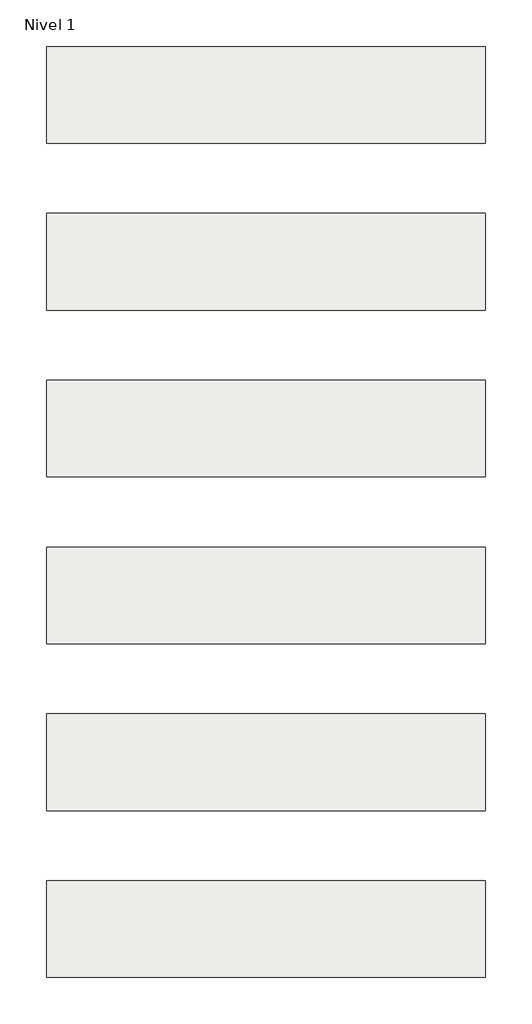
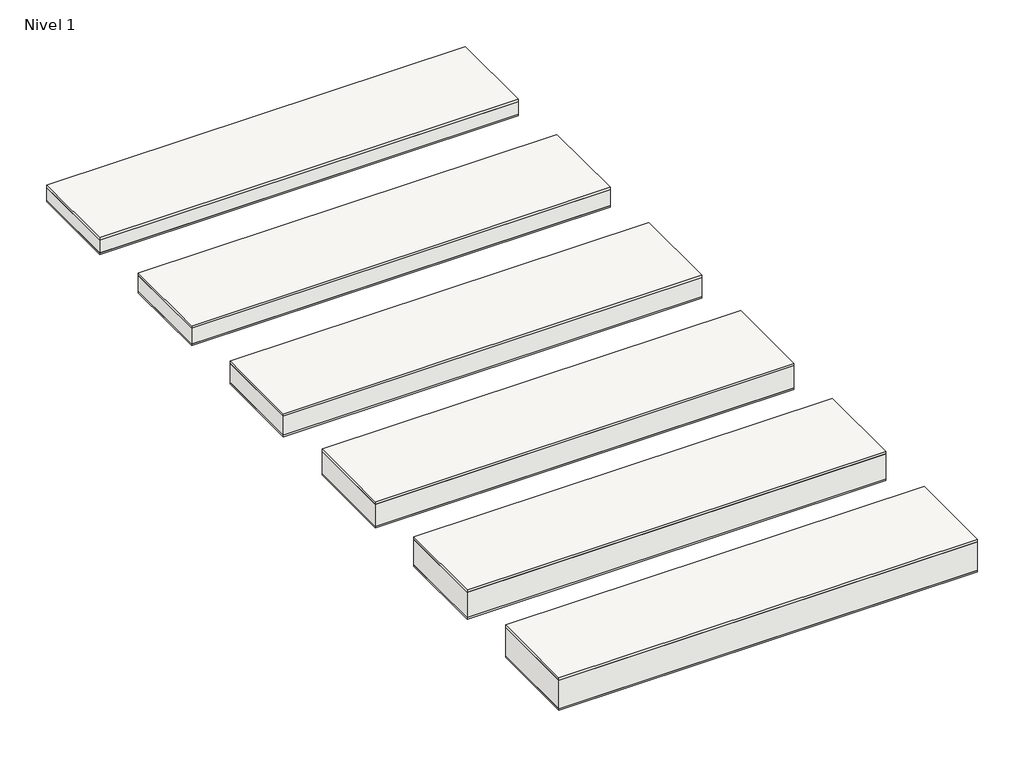
# One storey: 6 roofs.
"""IFC4 building model written with IfcOpenShell, lengths in millimetres."""

from ifc_helpers import new_model, si_unit, frame, origin, origin_with_axes, place, context, project, spatial, polyline, outline, extrude, element, save

model = new_model("IFC4")

# Units and contexts
model_context = context("Model", 3, world=origin())
ifc_project = project(units=[si_unit("LENGTHUNIT", "METRE", prefix="MILLI")], contexts=[model_context])

# Site, building, storey
site = spatial("IfcSite", under=ifc_project)
building = spatial("IfcBuilding", under=site)
storey = spatial("IfcBuildingStorey", under=building, Name="Nivel 1", Elevation=0.0)

# Roofs
placement = place(None, origin())
element("IfcRoof", 1, at=placement, inside=storey, context=model_context, shape_type="SweptSolid", body=[
    extrude(outline(polyline([(-3824.6699095, -6894.5376473), (-1324.6699095, -6894.5376473), (-1324.6699095, -7444.5376473), (-3824.6699095, -7444.5376473), (-3824.6699095, -6894.5376473)])), frame((0.0, 0.0, 110.0), z_axis=(0.0, 0.0, 1.0), x_axis=(1.0, 0.0, 0.0)), (0.0, 0.0, 1.0), 15.0),
    extrude(outline(polyline([(-3824.6699095, -6894.5376473), (-1324.6699095, -6894.5376473), (-1324.6699095, -7444.5376473), (-3824.6699095, -7444.5376473), (-3824.6699095, -6894.5376473)])), frame((0.0, 0.0, 10.0), z_axis=(0.0, 0.0, 1.0), x_axis=(1.0, 0.0, 0.0)), (0.0, 0.0, 1.0), 100.0),
    extrude(outline(polyline([(-3824.6699095, -6894.5376473), (-1324.6699095, -6894.5376473), (-1324.6699095, -7444.5376473), (-3824.6699095, -7444.5376473), (-3824.6699095, -6894.5376473)])), origin_with_axes(), (0.0, 0.0, 1.0), 10.0),
])
element("IfcRoof", 2, at=placement, inside=storey, context=model_context, shape_type="SweptSolid", body=[
    extrude(outline(polyline([(-3824.6699095, -5944.5376473), (-1324.6699095, -5944.5376473), (-1324.6699095, -6494.5376473), (-3824.6699095, -6494.5376473), (-3824.6699095, -5944.5376473)])), frame((0.0, 0.0, 90.0), z_axis=(0.0, 0.0, 1.0), x_axis=(1.0, 0.0, 0.0)), (0.0, 0.0, 1.0), 15.0),
    extrude(outline(polyline([(-3824.6699095, -5944.5376473), (-1324.6699095, -5944.5376473), (-1324.6699095, -6494.5376473), (-3824.6699095, -6494.5376473), (-3824.6699095, -5944.5376473)])), frame((0.0, 0.0, 10.0), z_axis=(0.0, 0.0, 1.0), x_axis=(1.0, 0.0, 0.0)), (0.0, 0.0, 1.0), 80.0),
    extrude(outline(polyline([(-3824.6699095, -5944.5376473), (-1324.6699095, -5944.5376473), (-1324.6699095, -6494.5376473), (-3824.6699095, -6494.5376473), (-3824.6699095, -5944.5376473)])), origin_with_axes(), (0.0, 0.0, 1.0), 10.0),
])
element("IfcRoof", 3, at=placement, inside=storey, context=model_context, shape_type="SweptSolid", body=[
    extrude(outline(polyline([(-3824.6699095, -7844.5376473), (-1324.6699095, -7844.5376473), (-1324.6699095, -8394.5376473), (-3824.6699095, -8394.5376473), (-3824.6699095, -7844.5376473)])), frame((0.0, 0.0, 130.0), z_axis=(0.0, 0.0, 1.0), x_axis=(1.0, 0.0, 0.0)), (0.0, 0.0, 1.0), 15.0),
    extrude(outline(polyline([(-3824.6699095, -7844.5376473), (-1324.6699095, -7844.5376473), (-1324.6699095, -8394.5376473), (-3824.6699095, -8394.5376473), (-3824.6699095, -7844.5376473)])), frame((0.0, 0.0, 10.0), z_axis=(0.0, 0.0, 1.0), x_axis=(1.0, 0.0, 0.0)), (0.0, 0.0, 1.0), 120.0),
    extrude(outline(polyline([(-3824.6699095, -7844.5376473), (-1324.6699095, -7844.5376473), (-1324.6699095, -8394.5376473), (-3824.6699095, -8394.5376473), (-3824.6699095, -7844.5376473)])), origin_with_axes(), (0.0, 0.0, 1.0), 10.0),
])
element("IfcRoof", 4, at=placement, inside=storey, context=model_context, shape_type="SweptSolid", body=[
    extrude(outline(polyline([(-3824.6699095, -8794.5376473), (-1324.6699095, -8794.5376473), (-1324.6699095, -9344.5376473), (-3824.6699095, -9344.5376473), (-3824.6699095, -8794.5376473)])), frame((0.0, 0.0, 150.0), z_axis=(0.0, 0.0, 1.0), x_axis=(1.0, 0.0, 0.0)), (0.0, 0.0, 1.0), 15.0),
    extrude(outline(polyline([(-3824.6699095, -8794.5376473), (-1324.6699095, -8794.5376473), (-1324.6699095, -9344.5376473), (-3824.6699095, -9344.5376473), (-3824.6699095, -8794.5376473)])), frame((0.0, 0.0, 10.0), z_axis=(0.0, 0.0, 1.0), x_axis=(1.0, 0.0, 0.0)), (0.0, 0.0, 1.0), 140.0),
    extrude(outline(polyline([(-3824.6699095, -8794.5376473), (-1324.6699095, -8794.5376473), (-1324.6699095, -9344.5376473), (-3824.6699095, -9344.5376473), (-3824.6699095, -8794.5376473)])), origin_with_axes(), (0.0, 0.0, 1.0), 10.0),
])
element("IfcRoof", 5, at=placement, inside=storey, context=model_context, shape_type="SweptSolid", body=[
    extrude(outline(polyline([(-3824.6699095, -9744.5376473), (-1324.6699095, -9744.5376473), (-1324.6699095, -10294.5376473), (-3824.6699095, -10294.5376473), (-3824.6699095, -9744.5376473)])), frame((0.0, 0.0, 170.0), z_axis=(0.0, 0.0, 1.0), x_axis=(1.0, 0.0, 0.0)), (0.0, 0.0, 1.0), 15.0),
    extrude(outline(polyline([(-3824.6699095, -9744.5376473), (-1324.6699095, -9744.5376473), (-1324.6699095, -10294.5376473), (-3824.6699095, -10294.5376473), (-3824.6699095, -9744.5376473)])), frame((0.0, 0.0, 10.0), z_axis=(0.0, 0.0, 1.0), x_axis=(1.0, 0.0, 0.0)), (0.0, 0.0, 1.0), 160.0),
    extrude(outline(polyline([(-3824.6699095, -9744.5376473), (-1324.6699095, -9744.5376473), (-1324.6699095, -10294.5376473), (-3824.6699095, -10294.5376473), (-3824.6699095, -9744.5376473)])), origin_with_axes(), (0.0, 0.0, 1.0), 10.0),
])
element("IfcRoof", 6, at=placement, inside=storey, context=model_context, shape_type="SweptSolid", body=[
    extrude(outline(polyline([(-3824.6699095, -10694.5376473), (-1324.6699095, -10694.5376473), (-1324.6699095, -11244.5376473), (-3824.6699095, -11244.5376473), (-3824.6699095, -10694.5376473)])), frame((0.0, 0.0, 190.0), z_axis=(0.0, 0.0, 1.0), x_axis=(1.0, 0.0, 0.0)), (0.0, 0.0, 1.0), 15.0),
    extrude(outline(polyline([(-3824.6699095, -10694.5376473), (-1324.6699095, -10694.5376473), (-1324.6699095, -11244.5376473), (-3824.6699095, -11244.5376473), (-3824.6699095, -10694.5376473)])), frame((0.0, 0.0, 10.0), z_axis=(0.0, 0.0, 1.0), x_axis=(1.0, 0.0, 0.0)), (0.0, 0.0, 1.0), 180.0),
    extrude(outline(polyline([(-3824.6699095, -10694.5376473), (-1324.6699095, -10694.5376473), (-1324.6699095, -11244.5376473), (-3824.6699095, -11244.5376473), (-3824.6699095, -10694.5376473)])), origin_with_axes(), (0.0, 0.0, 1.0), 10.0),
])

save(model, "model.ifc")
